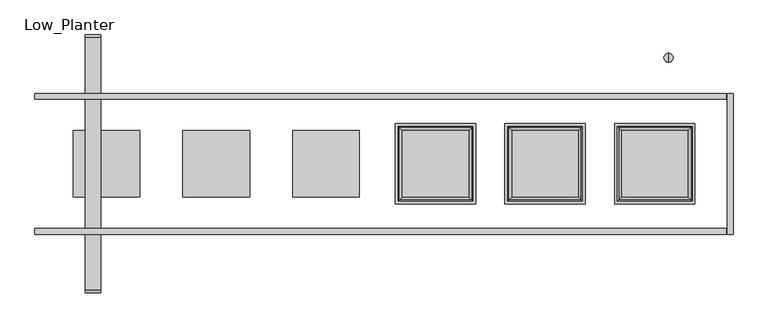
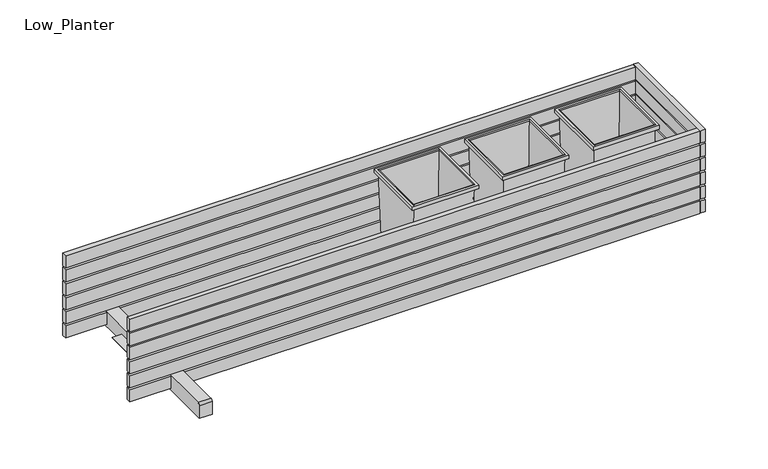
"""IFC4 building model written with IfcOpenShell, lengths in millimetres: furniture geometry, Low_Planter."""

from ifc_helpers import new_model, si_unit, point, frame, frame_2d, origin, place, context, project, spatial, polyline, circle_curve, ellipse_curve, trimmed, segment, composite_curve, outline, extrude, source, transform, mapped, element, save
from ifc_brep_helpers import plane_surface, cylinder_surface, revolved_surface, advanced_brep


def low_planter_5cebf89a(model_context):
    return source(origin(), model_context, "Body", "SolidModel", [
        advanced_brep(
        [(-735.0125, 259.7930221, 102.4987302), (-735.0125, 283.0, 102.4987302), (-735.0125, 271.396511, 102.4987302), (-735.0125, 259.7930221, 82.4987302), (-735.0125, 283.0, 82.4987302), (-735.0125, 265.2930221, 82.4987302), (-735.0125, 277.5, 82.4987302), (-735.0125, 265.2930221, 76.4987302), (-735.0125, 277.5, 76.4987302), (-735.0125, 262.1327681, 76.4987302), (-735.0125, 280.660254, 76.4987302), (-735.0125, 262.1327681, 70.4987302), (-735.0125, 280.660254, 70.4987302), (-735.0125, 271.396511, 70.4987302)],
        [
            (0, 1, circle_curve(frame((-735.0125, 271.396511, 102.4987302), z_axis=(0.0, 0.0, 1.0), x_axis=(0.0, 1.0, 0.0)), 11.603489)),
            (1, 2),
            (2, 0),
            (1, 0, circle_curve(frame((-735.0125, 271.396511, 102.4987302), z_axis=(0.0, 0.0, 1.0), x_axis=(0.0, 1.0, 0.0)), 11.603489)),
            (3, 4, circle_curve(frame((-735.0125, 271.396511, 82.4987302), z_axis=(0.0, 0.0, 1.0), x_axis=(0.0, 1.0, 0.0)), 11.603489)),
            (4, 1),
            (0, 3),
            (4, 3, circle_curve(frame((-735.0125, 271.396511, 82.4987302), z_axis=(0.0, 0.0, 1.0), x_axis=(0.0, 1.0, 0.0)), 11.603489)),
            (5, 6, circle_curve(frame((-735.0125, 271.396511, 82.4987302), z_axis=(0.0, 0.0, 1.0), x_axis=(0.0, 1.0, 0.0)), 6.103489)),
            (6, 4),
            (3, 5),
            (6, 5, circle_curve(frame((-735.0125, 271.396511, 82.4987302), z_axis=(0.0, 0.0, 1.0), x_axis=(0.0, 1.0, 0.0)), 6.103489)),
            (7, 8, circle_curve(frame((-735.0125, 271.396511, 76.4987302), z_axis=(0.0, 0.0, 1.0), x_axis=(0.0, 1.0, 0.0)), 6.103489)),
            (8, 6),
            (5, 7),
            (8, 7, circle_curve(frame((-735.0125, 271.396511, 76.4987302), z_axis=(0.0, 0.0, 1.0), x_axis=(0.0, 1.0, 0.0)), 6.103489)),
            (9, 10, circle_curve(frame((-735.0125, 271.396511, 76.4987302), z_axis=(0.0, 0.0, 1.0), x_axis=(0.0, 1.0, 0.0)), 9.263743)),
            (10, 8),
            (7, 9),
            (10, 9, circle_curve(frame((-735.0125, 271.396511, 76.4987302), z_axis=(0.0, 0.0, 1.0), x_axis=(0.0, 1.0, 0.0)), 9.263743)),
            (11, 12, circle_curve(frame((-735.0125, 271.396511, 70.4987302), z_axis=(0.0, 0.0, 1.0), x_axis=(0.0, 1.0, 0.0)), 9.263743)),
            (12, 10),
            (9, 11),
            (12, 11, circle_curve(frame((-735.0125, 271.396511, 70.4987302), z_axis=(0.0, 0.0, 1.0), x_axis=(0.0, 1.0, 0.0)), 9.263743)),
            (13, 12),
            (11, 13),
        ],
        [
            plane_surface(frame((-735.0125, 271.396511, 102.4987302), z_axis=(0.0, 0.0, 1.0), x_axis=(0.0, 1.0, 0.0))),
            cylinder_surface(frame((-735.0125, 271.396511, 92.8446441), z_axis=(0.0, 0.0, -1.0), x_axis=(0.0, 1.0, 0.0)), 11.603489),
            plane_surface(frame((-735.0125, 271.396511, 82.4987302), z_axis=(0.0, 0.0, -1.0), x_axis=(0.0, 1.0, 0.0))),
            cylinder_surface(frame((-735.0125, 271.396511, 92.8446441), z_axis=(0.0, 0.0, -1.0), x_axis=(0.0, 1.0, 0.0)), 6.103489),
            plane_surface(frame((-735.0125, 271.396511, 76.4987302), z_axis=(0.0, 0.0, 1.0), x_axis=(0.0, 1.0, 0.0))),
            cylinder_surface(frame((-735.0125, 271.396511, 92.8446441), z_axis=(0.0, 0.0, -1.0), x_axis=(0.0, 1.0, 0.0)), 9.263743),
            plane_surface(frame((-735.0125, 271.396511, 70.4987302), z_axis=(0.0, 0.0, -1.0), x_axis=(0.0, 1.0, 0.0))),
        ],
        [
            (0, [[1, 2, 3]]),
            (0, [[4, -3, -2]]),
            (1, [[5, 6, -1, 7]]),
            (1, [[8, -7, -4, -6]]),
            (2, [[9, 10, -5, 11]]),
            (2, [[12, -11, -8, -10]]),
            (3, [[13, 14, -9, 15]]),
            (3, [[16, -15, -12, -14]]),
            (4, [[17, 18, -13, 19]]),
            (4, [[20, -19, -16, -18]]),
            (5, [[21, 22, -17, 23]]),
            (5, [[24, -23, -20, -22]]),
            (6, [[25, -21, 26]]),
            (6, [[-26, -24, -25]]),
        ],
    ),
        extrude(outline(composite_curve([segment(polyline([(-323.65, 124.6649475), (323.5383968, 124.6649475)]), True, "CONTINUOUS"), segment(trimmed(circle_curve(frame_2d((323.5383968, 118.3149475)), 6.35), [point((323.5383968, 124.6649475))], [point((329.8883968, 118.3149475))], False, "CARTESIAN"), True, "CONTINUOUS"), segment(polyline([(329.8883968, 118.3149475), (329.8883968, 76.4987302), (-7.0746988, 76.4987302), (-330.0, 76.4987302), (-330.0, 118.3149475)]), True, "CONTINUOUS"), segment(trimmed(circle_curve(frame_2d((-323.65, 118.3149475)), 6.35), [point((-330.0, 118.3149475))], [point((-323.65, 124.6649475))], False, "CARTESIAN"), True, "CONTINUOUS")], self_intersect=False)), frame((-754.7344665, 0.0, 0.0), z_axis=(1.0, 0.0, 0.0), x_axis=(0.0, 1.0, 0.0)), (0.0, 0.0, 1.0), 39.7344665),
        extrude(outline(polyline([(-614.8527573, 85.1472427), (-614.8527573, -85.1472427), (-785.1472427, -85.1472427), (-785.1472427, 85.1472427), (-614.8527573, 85.1472427)])), frame((0.0, 0.0, 99.2060624), z_axis=(0.0, 0.0, 1.0), x_axis=(1.0, 0.0, 0.0)), (0.0, 0.0, 1.0), 2.1345043),
        extrude(outline(polyline([(-334.8527573, 85.1472427), (-334.8527573, -85.1472427), (-505.1472427, -85.1472427), (-505.1472427, 85.1472427), (-334.8527573, 85.1472427)])), frame((0.0, 0.0, 99.2060624), z_axis=(0.0, 0.0, 1.0), x_axis=(1.0, 0.0, 0.0)), (0.0, 0.0, 1.0), 2.1345043),
        extrude(outline(polyline([(-54.8527573, 85.1472427), (-54.8527573, -85.1472427), (-225.1472427, -85.1472427), (-225.1472427, 85.1472427), (-54.8527573, 85.1472427)])), frame((0.0, 0.0, 99.2060624), z_axis=(0.0, 0.0, 1.0), x_axis=(1.0, 0.0, 0.0)), (0.0, 0.0, 1.0), 2.1345043),
        extrude(outline(polyline([(614.8527573, 85.1472427), (785.1472427, 85.1472427), (785.1472427, -85.1472427), (614.8527573, -85.1472427), (614.8527573, 85.1472427)])), frame((0.0, 0.0, 99.2060624), z_axis=(0.0, 0.0, 1.0), x_axis=(1.0, 0.0, 0.0)), (0.0, 0.0, 1.0), 2.1345043),
        extrude(outline(polyline([(334.8527573, 85.1472427), (505.1472427, 85.1472427), (505.1472427, -85.1472427), (334.8527573, -85.1472427), (334.8527573, 85.1472427)])), frame((0.0, 0.0, 99.2060624), z_axis=(0.0, 0.0, 1.0), x_axis=(1.0, 0.0, 0.0)), (0.0, 0.0, 1.0), 2.1345043),
        extrude(outline(polyline([(54.8527573, 85.1472427), (225.1472427, 85.1472427), (225.1472427, -85.1472427), (54.8527573, -85.1472427), (54.8527573, 85.1472427)])), frame((0.0, 0.0, 99.2060624), z_axis=(0.0, 0.0, 1.0), x_axis=(1.0, 0.0, 0.0)), (0.0, 0.0, 1.0), 2.1345043),
        extrude(outline(polyline([(883.0718339, 180.0), (883.0718339, 165.0), (-883.0403066, 165.0), (-883.0403066, 180.0), (883.0718339, 180.0)])), frame((0.0, 0.0, 314.4987302), z_axis=(0.0, 0.0, 1.0), x_axis=(1.0, 0.0, 0.0)), (0.0, 0.0, 1.0), 40.0),
        extrude(outline(polyline([(883.0718339, 180.0), (883.0718339, 165.0), (-883.0403066, 165.0), (-883.0403066, 180.0), (883.0718339, 180.0)])), frame((0.0, 0.0, 268.4987302), z_axis=(0.0, 0.0, 1.0), x_axis=(1.0, 0.0, 0.0)), (0.0, 0.0, 1.0), 40.0),
        extrude(outline(polyline([(883.0718339, 180.0), (883.0718339, 165.0), (-883.0403066, 165.0), (-883.0403066, 180.0), (883.0718339, 180.0)])), frame((0.0, 0.0, 222.4987302), z_axis=(0.0, 0.0, 1.0), x_axis=(1.0, 0.0, 0.0)), (0.0, 0.0, 1.0), 40.0),
        extrude(outline(polyline([(883.0718339, 180.0), (883.0718339, 165.0), (-883.0403066, 165.0), (-883.0403066, 180.0), (883.0718339, 180.0)])), frame((0.0, 0.0, 176.4987302), z_axis=(0.0, 0.0, 1.0), x_axis=(1.0, 0.0, 0.0)), (0.0, 0.0, 1.0), 40.0),
        extrude(outline(polyline([(883.0718339, 180.0), (883.0718339, 165.0), (-883.0403066, 165.0), (-883.0403066, 180.0), (883.0718339, 180.0)])), frame((0.0, 0.0, 130.4987302), z_axis=(0.0, 0.0, 1.0), x_axis=(1.0, 0.0, 0.0)), (0.0, 0.0, 1.0), 40.0),
        extrude(outline(polyline([(883.0718339, 180.0), (883.0718339, 165.0), (-883.0403066, 165.0), (-883.0403066, 180.0), (883.0718339, 180.0)])), frame((0.0, 0.0, 84.4987302), z_axis=(0.0, 0.0, 1.0), x_axis=(1.0, 0.0, 0.0)), (0.0, 0.0, 1.0), 40.0),
        extrude(outline(polyline([(883.0718339, -165.0), (883.0718339, -180.0), (-883.0403066, -180.0), (-883.0403066, -165.0), (883.0718339, -165.0)])), frame((0.0, 0.0, 314.4987302), z_axis=(0.0, 0.0, 1.0), x_axis=(1.0, 0.0, 0.0)), (0.0, 0.0, 1.0), 40.0),
        extrude(outline(polyline([(883.0718339, -165.0), (883.0718339, -180.0), (-883.0403066, -180.0), (-883.0403066, -165.0), (883.0718339, -165.0)])), frame((0.0, 0.0, 268.4987302), z_axis=(0.0, 0.0, 1.0), x_axis=(1.0, 0.0, 0.0)), (0.0, 0.0, 1.0), 40.0),
        extrude(outline(polyline([(883.0718339, -165.0), (883.0718339, -180.0), (-883.0403066, -180.0), (-883.0403066, -165.0), (883.0718339, -165.0)])), frame((0.0, 0.0, 222.4987302), z_axis=(0.0, 0.0, 1.0), x_axis=(1.0, 0.0, 0.0)), (0.0, 0.0, 1.0), 40.0),
        extrude(outline(polyline([(883.0718339, -165.0), (883.0718339, -180.0), (-883.0403066, -180.0), (-883.0403066, -165.0), (883.0718339, -165.0)])), frame((0.0, 0.0, 176.4987302), z_axis=(0.0, 0.0, 1.0), x_axis=(1.0, 0.0, 0.0)), (0.0, 0.0, 1.0), 40.0),
        extrude(outline(polyline([(883.0718339, -165.0), (883.0718339, -180.0), (-883.0403066, -180.0), (-883.0403066, -165.0), (883.0718339, -165.0)])), frame((0.0, 0.0, 130.4987302), z_axis=(0.0, 0.0, 1.0), x_axis=(1.0, 0.0, 0.0)), (0.0, 0.0, 1.0), 40.0),
        extrude(outline(polyline([(883.0718339, -165.0), (883.0718339, -180.0), (-883.0403066, -180.0), (-883.0403066, -165.0), (883.0718339, -165.0)])), frame((0.0, 0.0, 84.4987302), z_axis=(0.0, 0.0, 1.0), x_axis=(1.0, 0.0, 0.0)), (0.0, 0.0, 1.0), 40.0),
        extrude(outline(polyline([(885.0, -180.0), (885.0, 180.0), (900.0, 180.0), (900.0, -180.0), (885.0, -180.0)])), frame((0.0, 0.0, 314.4987302), z_axis=(0.0, 0.0, 1.0), x_axis=(1.0, 0.0, 0.0)), (0.0, 0.0, 1.0), 40.0),
        extrude(outline(polyline([(885.0, -180.0), (885.0, 180.0), (900.0, 180.0), (900.0, -180.0), (885.0, -180.0)])), frame((0.0, 0.0, 268.4987302), z_axis=(0.0, 0.0, 1.0), x_axis=(1.0, 0.0, 0.0)), (0.0, 0.0, 1.0), 40.0),
        extrude(outline(polyline([(885.0, -180.0), (885.0, 180.0), (900.0, 180.0), (900.0, -180.0), (885.0, -180.0)])), frame((0.0, 0.0, 222.4987302), z_axis=(0.0, 0.0, 1.0), x_axis=(1.0, 0.0, 0.0)), (0.0, 0.0, 1.0), 40.0),
        extrude(outline(polyline([(885.0, -180.0), (885.0, 180.0), (900.0, 180.0), (900.0, -180.0), (885.0, -180.0)])), frame((0.0, 0.0, 176.4987302), z_axis=(0.0, 0.0, 1.0), x_axis=(1.0, 0.0, 0.0)), (0.0, 0.0, 1.0), 40.0),
        extrude(outline(polyline([(885.0, -180.0), (885.0, 180.0), (900.0, 180.0), (900.0, -180.0), (885.0, -180.0)])), frame((0.0, 0.0, 130.4987302), z_axis=(0.0, 0.0, 1.0), x_axis=(1.0, 0.0, 0.0)), (0.0, 0.0, 1.0), 40.0),
        extrude(outline(polyline([(885.0, -180.0), (885.0, 180.0), (900.0, 180.0), (900.0, -180.0), (885.0, -180.0)])), frame((0.0, 0.0, 84.4987302), z_axis=(0.0, 0.0, 1.0), x_axis=(1.0, 0.0, 0.0)), (0.0, 0.0, 1.0), 40.0),
        advanced_brep(
        [(735.0125, 271.396511, 102.4987302), (735.0125, 283.0, 102.4987302), (735.0125, 259.7930221, 102.4987302), (735.0125, 283.0, 82.4987302), (735.0125, 259.7930221, 82.4987302), (735.0125, 277.5, 82.4987302), (735.0125, 265.2930221, 82.4987302), (735.0125, 277.5, 76.4987302), (735.0125, 265.2930221, 76.4987302), (735.0125, 280.660254, 76.4987302), (735.0125, 262.1327681, 76.4987302), (735.0125, 280.660254, 70.4987302), (735.0125, 262.1327681, 70.4987302), (735.0125, 271.396511, 70.4987302)],
        [
            (0, 1),
            (1, 2, circle_curve(frame((735.0125, 271.396511, 102.4987302), z_axis=(0.0, 0.0, 1.0), x_axis=(0.0, 1.0, 0.0)), 11.603489)),
            (2, 0),
            (2, 1, circle_curve(frame((735.0125, 271.396511, 102.4987302), z_axis=(0.0, 0.0, 1.0), x_axis=(0.0, 1.0, 0.0)), 11.603489)),
            (1, 3),
            (3, 4, circle_curve(frame((735.0125, 271.396511, 82.4987302), z_axis=(0.0, 0.0, 1.0), x_axis=(0.0, 1.0, 0.0)), 11.603489)),
            (4, 2),
            (4, 3, circle_curve(frame((735.0125, 271.396511, 82.4987302), z_axis=(0.0, 0.0, 1.0), x_axis=(0.0, 1.0, 0.0)), 11.603489)),
            (3, 5),
            (5, 6, circle_curve(frame((735.0125, 271.396511, 82.4987302), z_axis=(0.0, 0.0, 1.0), x_axis=(0.0, 1.0, 0.0)), 6.103489)),
            (6, 4),
            (6, 5, circle_curve(frame((735.0125, 271.396511, 82.4987302), z_axis=(0.0, 0.0, 1.0), x_axis=(0.0, 1.0, 0.0)), 6.103489)),
            (5, 7),
            (7, 8, circle_curve(frame((735.0125, 271.396511, 76.4987302), z_axis=(0.0, 0.0, 1.0), x_axis=(0.0, 1.0, 0.0)), 6.103489)),
            (8, 6),
            (8, 7, circle_curve(frame((735.0125, 271.396511, 76.4987302), z_axis=(0.0, 0.0, 1.0), x_axis=(0.0, 1.0, 0.0)), 6.103489)),
            (7, 9),
            (9, 10, circle_curve(frame((735.0125, 271.396511, 76.4987302), z_axis=(0.0, 0.0, 1.0), x_axis=(0.0, 1.0, 0.0)), 9.263743)),
            (10, 8),
            (10, 9, circle_curve(frame((735.0125, 271.396511, 76.4987302), z_axis=(0.0, 0.0, 1.0), x_axis=(0.0, 1.0, 0.0)), 9.263743)),
            (9, 11),
            (11, 12, circle_curve(frame((735.0125, 271.396511, 70.4987302), z_axis=(0.0, 0.0, 1.0), x_axis=(0.0, 1.0, 0.0)), 9.263743)),
            (12, 10),
            (12, 11, circle_curve(frame((735.0125, 271.396511, 70.4987302), z_axis=(0.0, 0.0, 1.0), x_axis=(0.0, 1.0, 0.0)), 9.263743)),
            (11, 13),
            (13, 12),
        ],
        [
            plane_surface(frame((735.0125, 271.396511, 102.4987302), z_axis=(0.0, 0.0, 1.0), x_axis=(0.0, 1.0, 0.0))),
            cylinder_surface(frame((735.0125, 271.396511, 92.8446441), z_axis=(0.0, 0.0, 1.0), x_axis=(0.0, 1.0, 0.0)), 11.603489),
            plane_surface(frame((735.0125, 271.396511, 82.4987302), z_axis=(0.0, 0.0, -1.0), x_axis=(0.0, 1.0, 0.0))),
            cylinder_surface(frame((735.0125, 271.396511, 92.8446441), z_axis=(0.0, 0.0, 1.0), x_axis=(0.0, 1.0, 0.0)), 6.103489),
            plane_surface(frame((735.0125, 271.396511, 76.4987302), z_axis=(0.0, 0.0, 1.0), x_axis=(0.0, 1.0, 0.0))),
            cylinder_surface(frame((735.0125, 271.396511, 92.8446441), z_axis=(0.0, 0.0, 1.0), x_axis=(0.0, 1.0, 0.0)), 9.263743),
            plane_surface(frame((735.0125, 271.396511, 70.4987302), z_axis=(0.0, 0.0, -1.0), x_axis=(0.0, 1.0, 0.0))),
        ],
        [
            (0, [[1, 2, 3]]),
            (0, [[-3, 4, -1]]),
            (1, [[-2, 5, 6, 7]]),
            (1, [[-4, -7, 8, -5]]),
            (2, [[-6, 9, 10, 11]]),
            (2, [[-8, -11, 12, -9]]),
            (3, [[-10, 13, 14, 15]]),
            (3, [[-12, -15, 16, -13]]),
            (4, [[-14, 17, 18, 19]]),
            (4, [[-16, -19, 20, -17]]),
            (5, [[-18, 21, 22, 23]]),
            (5, [[-20, -23, 24, -21]]),
            (6, [[-22, 25, 26]]),
            (6, [[-24, -26, -25]]),
        ],
    ),
        advanced_brep(
        [(-735.0125, -271.396511, 102.4987302), (-735.0125, -283.0, 102.4987302), (-735.0125, -259.7930221, 102.4987302), (-735.0125, -283.0, 82.4987302), (-735.0125, -259.7930221, 82.4987302), (-735.0125, -277.5, 82.4987302), (-735.0125, -265.2930221, 82.4987302), (-735.0125, -277.5, 76.4987302), (-735.0125, -265.2930221, 76.4987302), (-735.0125, -280.660254, 76.4987302), (-735.0125, -262.1327681, 76.4987302), (-735.0125, -280.660254, 70.4987302), (-735.0125, -262.1327681, 70.4987302), (-735.0125, -271.396511, 70.4987302)],
        [
            (0, 1),
            (1, 2, circle_curve(frame((-735.0125, -271.396511, 102.4987302), z_axis=(0.0, 0.0, 1.0), x_axis=(0.0, -1.0, 0.0)), 11.603489)),
            (2, 0),
            (2, 1, circle_curve(frame((-735.0125, -271.396511, 102.4987302), z_axis=(0.0, 0.0, 1.0), x_axis=(0.0, -1.0, 0.0)), 11.603489)),
            (1, 3),
            (3, 4, circle_curve(frame((-735.0125, -271.396511, 82.4987302), z_axis=(0.0, 0.0, 1.0), x_axis=(0.0, -1.0, 0.0)), 11.603489)),
            (4, 2),
            (4, 3, circle_curve(frame((-735.0125, -271.396511, 82.4987302), z_axis=(0.0, 0.0, 1.0), x_axis=(0.0, -1.0, 0.0)), 11.603489)),
            (3, 5),
            (5, 6, circle_curve(frame((-735.0125, -271.396511, 82.4987302), z_axis=(0.0, 0.0, 1.0), x_axis=(0.0, -1.0, 0.0)), 6.103489)),
            (6, 4),
            (6, 5, circle_curve(frame((-735.0125, -271.396511, 82.4987302), z_axis=(0.0, 0.0, 1.0), x_axis=(0.0, -1.0, 0.0)), 6.103489)),
            (5, 7),
            (7, 8, circle_curve(frame((-735.0125, -271.396511, 76.4987302), z_axis=(0.0, 0.0, 1.0), x_axis=(0.0, -1.0, 0.0)), 6.103489)),
            (8, 6),
            (8, 7, circle_curve(frame((-735.0125, -271.396511, 76.4987302), z_axis=(0.0, 0.0, 1.0), x_axis=(0.0, -1.0, 0.0)), 6.103489)),
            (7, 9),
            (9, 10, circle_curve(frame((-735.0125, -271.396511, 76.4987302), z_axis=(0.0, 0.0, 1.0), x_axis=(0.0, -1.0, 0.0)), 9.263743)),
            (10, 8),
            (10, 9, circle_curve(frame((-735.0125, -271.396511, 76.4987302), z_axis=(0.0, 0.0, 1.0), x_axis=(0.0, -1.0, 0.0)), 9.263743)),
            (9, 11),
            (11, 12, circle_curve(frame((-735.0125, -271.396511, 70.4987302), z_axis=(0.0, 0.0, 1.0), x_axis=(0.0, -1.0, 0.0)), 9.263743)),
            (12, 10),
            (12, 11, circle_curve(frame((-735.0125, -271.396511, 70.4987302), z_axis=(0.0, 0.0, 1.0), x_axis=(0.0, -1.0, 0.0)), 9.263743)),
            (11, 13),
            (13, 12),
        ],
        [
            plane_surface(frame((-735.0125, -271.396511, 102.4987302), z_axis=(0.0, 0.0, 1.0), x_axis=(0.0, -1.0, 0.0))),
            cylinder_surface(frame((-735.0125, -271.396511, 92.8446441), z_axis=(0.0, 0.0, 1.0), x_axis=(0.0, -1.0, 0.0)), 11.603489),
            plane_surface(frame((-735.0125, -271.396511, 82.4987302), z_axis=(0.0, 0.0, -1.0), x_axis=(0.0, -1.0, 0.0))),
            cylinder_surface(frame((-735.0125, -271.396511, 92.8446441), z_axis=(0.0, 0.0, 1.0), x_axis=(0.0, -1.0, 0.0)), 6.103489),
            plane_surface(frame((-735.0125, -271.396511, 76.4987302), z_axis=(0.0, 0.0, 1.0), x_axis=(0.0, -1.0, 0.0))),
            cylinder_surface(frame((-735.0125, -271.396511, 92.8446441), z_axis=(0.0, 0.0, 1.0), x_axis=(0.0, -1.0, 0.0)), 9.263743),
            plane_surface(frame((-735.0125, -271.396511, 70.4987302), z_axis=(0.0, 0.0, -1.0), x_axis=(0.0, -1.0, 0.0))),
        ],
        [
            (0, [[1, 2, 3]]),
            (0, [[-3, 4, -1]]),
            (1, [[-2, 5, 6, 7]]),
            (1, [[-4, -7, 8, -5]]),
            (2, [[-6, 9, 10, 11]]),
            (2, [[-8, -11, 12, -9]]),
            (3, [[-10, 13, 14, 15]]),
            (3, [[-12, -15, 16, -13]]),
            (4, [[-14, 17, 18, 19]]),
            (4, [[-16, -19, 20, -17]]),
            (5, [[-18, 21, 22, 23]]),
            (5, [[-20, -23, 24, -21]]),
            (6, [[-22, 25, 26]]),
            (6, [[-24, -26, -25]]),
        ],
    ),
        advanced_brep(
        [(800.1829086, 100.1829086, 352.4436917), (800.5146559, 100.5146559, 342.9436917), (800.5146559, -100.5146559, 342.9436917), (800.1829086, -100.1829086, 352.4436917), (794.4590865, 94.4590865, 350.2723738), (796.6873147, 96.6873147, 352.4436917), (796.6873147, -96.6873147, 352.4436917), (794.4590865, -94.4590865, 350.2723738), (787.968812, 87.968812, 99.4436917), (787.968812, -87.968812, 99.4436917), (792.5382902, 92.5382902, 352.2816601), (785.1472427, 85.1472427, 99.4436917), (785.1472427, -85.1472427, 99.4436917), (792.5382902, -92.5382902, 352.2816601), (795.3372548, 95.3372548, 355.0), (795.3372548, -95.3372548, 355.0), (802.515875, 102.515875, 342.9436917), (802.515875, 102.515875, 355.0), (802.515875, -102.515875, 355.0), (802.515875, -102.515875, 342.9436917), (599.4853441, -100.5146559, 342.9436917), (599.8170914, -100.1829086, 352.4436917), (603.3126853, -96.6873147, 352.4436917), (605.5409135, -94.4590865, 350.2723738), (612.031188, -87.968812, 99.4436917), (614.8527573, -85.1472427, 99.4436917), (607.4617098, -92.5382902, 352.2816601), (604.6627452, -95.3372548, 355.0), (597.484125, -102.515875, 355.0), (597.484125, -102.515875, 342.9436917), (599.4853441, 100.5146559, 342.9436917), (599.8170914, 100.1829086, 352.4436917), (603.3126853, 96.6873147, 352.4436917), (605.5409135, 94.4590865, 350.2723738), (612.031188, 87.968812, 99.4436917), (614.8527573, 85.1472427, 99.4436917), (607.4617098, 92.5382902, 352.2816601), (604.6627452, 95.3372548, 355.0), (597.484125, 102.515875, 355.0), (597.484125, 102.515875, 342.9436917)],
        [
            (0, 1),
            (1, 2),
            (2, 3),
            (3, 0),
            (4, 5, ellipse_curve(frame((796.6873147, 96.6873147, 350.2147177), z_axis=(-0.7071067811865475, 0.7071067811865475, 0.0), x_axis=(-0.7071067811865474, -0.7071067811865476, 0.0)), 3.1522453, 2.228974)),
            (5, 6),
            (6, 7, ellipse_curve(frame((796.6873147, -96.6873147, 350.2147177), z_axis=(-0.7071067811865475, -0.7071067811865475, 0.0), x_axis=(0.7071067811865474, -0.7071067811865476, 0.0)), 3.1522453, 2.228974)),
            (7, 4),
            (8, 4),
            (7, 9),
            (9, 8),
            (10, 11),
            (11, 12),
            (12, 13),
            (13, 10),
            (14, 10, ellipse_curve(frame((795.3372548, 95.3372548, 352.1998398), z_axis=(0.7071067811865475, -0.7071067811865475, 0.0), x_axis=(0.7071067811865474, 0.7071067811865476, 0.0)), 3.9600246, 2.8001602)),
            (13, 15, ellipse_curve(frame((795.3372548, -95.3372548, 352.1998398), z_axis=(0.7071067811865475, 0.7071067811865475, 0.0), x_axis=(-0.7071067811865474, 0.7071067811865476, 0.0)), 3.9600246, 2.8001602)),
            (15, 14),
            (16, 17),
            (17, 18),
            (18, 19),
            (19, 16),
            (2, 20),
            (20, 21),
            (21, 3),
            (6, 22),
            (22, 23, ellipse_curve(frame((603.3126853, -96.6873147, 350.2147177), z_axis=(-0.7071067811865475, 0.7071067811865475, 0.0), x_axis=(-0.7071067811865476, -0.7071067811865474, 0.0)), 3.1522453, 2.228974)),
            (23, 7),
            (23, 24),
            (24, 9),
            (12, 25),
            (25, 26),
            (26, 13),
            (26, 27, ellipse_curve(frame((604.6627452, -95.3372548, 352.1998398), z_axis=(0.7071067811865475, -0.7071067811865475, 0.0), x_axis=(0.7071067811865476, 0.7071067811865474, 0.0)), 3.9600246, 2.8001602)),
            (27, 15),
            (18, 28),
            (28, 29),
            (29, 19),
            (20, 30),
            (30, 31),
            (31, 21),
            (22, 32),
            (32, 33, ellipse_curve(frame((603.3126853, 96.6873147, 350.2147177), z_axis=(0.7071067811865475, 0.7071067811865475, 0.0), x_axis=(-0.7071067811865474, 0.7071067811865476, 0.0)), 3.1522453, 2.228974)),
            (33, 23),
            (33, 34),
            (34, 24),
            (25, 35),
            (35, 36),
            (36, 26),
            (36, 37, ellipse_curve(frame((604.6627452, 95.3372548, 352.1998398), z_axis=(-0.7071067811865475, -0.7071067811865475, 0.0), x_axis=(0.7071067811865474, -0.7071067811865476, 0.0)), 3.9600246, 2.8001602)),
            (37, 27),
            (28, 38),
            (38, 39),
            (39, 29),
            (39, 16),
            (1, 30),
            (0, 31),
            (5, 32),
            (4, 33),
            (8, 34),
            (11, 35),
            (10, 36),
            (14, 37),
            (17, 38),
        ],
        [
            plane_surface(frame((800.5146559, 100.5146559, 342.9436917), z_axis=(-0.9993908270190965, 0.0, -0.0348994967024785), x_axis=(0.0, -1.0, 0.0))),
            revolved_surface(polyline([(798.9162887, -98.91628872759341, 350.2147177), (798.9162887, 98.91628872759343, 350.2147177)]), (796.6873147, 85.094, 350.2147177), (0.0, -1.0, 0.0)),
            plane_surface(frame((794.4590865, 94.4590865, 350.2723738), z_axis=(0.9996654016980265, 0.0, -0.02586667059989023), x_axis=(0.0, -1.0, 0.0))),
            plane_surface(frame((785.1472427, 85.1472427, 99.4436917), z_axis=(-0.9995730085530367, 0.0, 0.02921986605429452), x_axis=(0.0, -1.0, 0.0))),
            cylinder_surface(frame((795.3372548, 85.094, 352.1998398), z_axis=(0.0, 1.0, 0.0), x_axis=(1.0, 0.0, 0.0)), 2.8001602),
            plane_surface(frame((802.515875, 102.515875, 355.0), z_axis=(1.0, 0.0, 0.0), x_axis=(0.0, -1.0, 0.0))),
            plane_surface(frame((800.5146559, -100.5146559, 342.9436917), z_axis=(0.0, 0.9993908270190961, -0.03489949670249201), x_axis=(-1.0, 0.0, 0.0))),
            revolved_surface(polyline([(601.0837112724066, -98.9162887, 350.2147177), (798.9162887275934, -98.9162887, 350.2147177)]), (785.094, -96.6873147, 350.2147177), (-1.0, 0.0, 0.0)),
            plane_surface(frame((794.4590865, -94.4590865, 350.2723738), z_axis=(0.0, -0.999665401698027, -0.025866670599876716), x_axis=(-1.0, 0.0, 0.0))),
            plane_surface(frame((785.1472427, -85.1472427, 99.4436917), z_axis=(0.0, 0.9995730085530371, 0.029219866054281007), x_axis=(-1.0, 0.0, 0.0))),
            cylinder_surface(frame((785.094, -95.3372548, 352.1998398), z_axis=(1.0, 0.0, 0.0), x_axis=(0.0, -1.0, 0.0)), 2.8001602),
            plane_surface(frame((802.515875, -102.515875, 355.0), z_axis=(0.0, -1.0, 0.0), x_axis=(-1.0, 0.0, 0.0))),
            plane_surface(frame((599.4853441, -100.5146559, 342.9436917), z_axis=(0.9993908270190957, 0.0, -0.03489949670250552), x_axis=(0.0, 1.0, 0.0))),
            revolved_surface(polyline([(601.0837113, 98.91628872759341, 350.2147177), (601.0837113, -98.91628872759343, 350.2147177)]), (603.3126853, -85.094, 350.2147177), (0.0, 1.0, 0.0)),
            plane_surface(frame((605.5409135, -94.4590865, 350.2723738), z_axis=(-0.9996654016980273, 0.0, -0.0258666705998632), x_axis=(0.0, 1.0, 0.0))),
            plane_surface(frame((614.8527573, -85.1472427, 99.4436917), z_axis=(0.9995730085530375, 0.0, 0.029219866054267494), x_axis=(0.0, 1.0, 0.0))),
            cylinder_surface(frame((604.6627452, -85.094, 352.1998398), z_axis=(0.0, -1.0, 0.0), x_axis=(-1.0, 0.0, 0.0)), 2.8001602),
            plane_surface(frame((597.484125, -102.515875, 355.0), z_axis=(-1.0, 0.0, 0.0), x_axis=(0.0, 1.0, 0.0))),
            plane_surface(frame((597.484125, 102.515875, 342.9436917), z_axis=(0.0, 0.0, -1.0), x_axis=(1.0, 0.0, 0.0))),
            plane_surface(frame((599.4853441, 100.5146559, 342.9436917), z_axis=(0.0, -0.9993908270190961, -0.03489949670249201), x_axis=(1.0, 0.0, 0.0))),
            plane_surface(frame((599.8170914, 100.1829086, 352.4436917), z_axis=(0.0, 0.0, -1.0), x_axis=(1.0, 0.0, 0.0))),
            revolved_surface(polyline([(798.9162887275934, 98.9162887, 350.2147177), (601.0837112724066, 98.9162887, 350.2147177)]), (614.906, 96.6873147, 350.2147177), (1.0, 0.0, 0.0)),
            plane_surface(frame((605.5409135, 94.4590865, 350.2723738), z_axis=(0.0, 0.999665401698027, -0.025866670599876716), x_axis=(1.0, 0.0, 0.0))),
            plane_surface(frame((612.031188, 87.968812, 99.4436917), z_axis=(0.0, 0.0, -1.0), x_axis=(1.0, 0.0, 0.0))),
            plane_surface(frame((614.8527573, 85.1472427, 99.4436917), z_axis=(0.0, -0.9995730085530371, 0.029219866054281007), x_axis=(1.0, 0.0, 0.0))),
            cylinder_surface(frame((614.906, 95.3372548, 352.1998398), z_axis=(-1.0, 0.0, 0.0), x_axis=(0.0, 1.0, 0.0)), 2.8001602),
            plane_surface(frame((604.6627452, 95.3372548, 355.0), z_axis=(0.0, 0.0, 1.0), x_axis=(1.0, 0.0, 0.0))),
            plane_surface(frame((597.484125, 102.515875, 355.0), z_axis=(0.0, 1.0, 0.0), x_axis=(1.0, 0.0, 0.0))),
        ],
        [
            (0, [[1, 2, 3, 4]]),
            (1, [[5, 6, 7, 8]]),
            (2, [[9, -8, 10, 11]]),
            (3, [[12, 13, 14, 15]]),
            (4, [[16, -15, 17, 18]]),
            (5, [[19, 20, 21, 22]]),
            (6, [[-3, 23, 24, 25]]),
            (7, [[-7, 26, 27, 28]]),
            (8, [[-10, -28, 29, 30]]),
            (9, [[-14, 31, 32, 33]]),
            (10, [[-17, -33, 34, 35]]),
            (11, [[-21, 36, 37, 38]]),
            (12, [[-24, 39, 40, 41]]),
            (13, [[-27, 42, 43, 44]]),
            (14, [[-29, -44, 45, 46]]),
            (15, [[-32, 47, 48, 49]]),
            (16, [[-34, -49, 50, 51]]),
            (17, [[-37, 52, 53, 54]]),
            (18, [[-38, -54, 55, -22], [56, -39, -23, -2]]),
            (19, [[-40, -56, -1, 57]]),
            (20, [[-25, -41, -57, -4], [58, -42, -26, -6]]),
            (21, [[-43, -58, -5, 59]]),
            (22, [[-45, -59, -9, 60]]),
            (23, [[-30, -46, -60, -11], [61, -47, -31, -13]]),
            (24, [[-48, -61, -12, 62]]),
            (25, [[-50, -62, -16, 63]]),
            (26, [[64, -52, -36, -20], [-35, -51, -63, -18]]),
            (27, [[-53, -64, -19, -55]]),
        ],
    ),
        advanced_brep(
        [(520.1829086, 100.1829086, 352.4436917), (520.5146559, 100.5146559, 342.9436917), (520.5146559, -100.5146559, 342.9436917), (520.1829086, -100.1829086, 352.4436917), (514.4590865, 94.4590865, 350.2723738), (516.6873147, 96.6873147, 352.4436917), (516.6873147, -96.6873147, 352.4436917), (514.4590865, -94.4590865, 350.2723738), (507.968812, 87.968812, 99.4436917), (507.968812, -87.968812, 99.4436917), (512.5382902, 92.5382902, 352.2816601), (505.1472427, 85.1472427, 99.4436917), (505.1472427, -85.1472427, 99.4436917), (512.5382902, -92.5382902, 352.2816601), (515.3372548, 95.3372548, 355.0), (515.3372548, -95.3372548, 355.0), (522.515875, 102.515875, 342.9436917), (522.515875, 102.515875, 355.0), (522.515875, -102.515875, 355.0), (522.515875, -102.515875, 342.9436917), (319.4853441, -100.5146559, 342.9436917), (319.8170914, -100.1829086, 352.4436917), (323.3126853, -96.6873147, 352.4436917), (325.5409135, -94.4590865, 350.2723738), (332.031188, -87.968812, 99.4436917), (334.8527573, -85.1472427, 99.4436917), (327.4617098, -92.5382902, 352.2816601), (324.6627452, -95.3372548, 355.0), (317.484125, -102.515875, 355.0), (317.484125, -102.515875, 342.9436917), (319.4853441, 100.5146559, 342.9436917), (319.8170914, 100.1829086, 352.4436917), (323.3126853, 96.6873147, 352.4436917), (325.5409135, 94.4590865, 350.2723738), (332.031188, 87.968812, 99.4436917), (334.8527573, 85.1472427, 99.4436917), (327.4617098, 92.5382902, 352.2816601), (324.6627452, 95.3372548, 355.0), (317.484125, 102.515875, 355.0), (317.484125, 102.515875, 342.9436917)],
        [
            (0, 1),
            (1, 2),
            (2, 3),
            (3, 0),
            (4, 5, ellipse_curve(frame((516.6873147, 96.6873147, 350.2147177), z_axis=(-0.7071067811865475, 0.7071067811865475, 0.0), x_axis=(-0.7071067811865474, -0.7071067811865476, 0.0)), 3.1522453, 2.228974)),
            (5, 6),
            (6, 7, ellipse_curve(frame((516.6873147, -96.6873147, 350.2147177), z_axis=(-0.7071067811865475, -0.7071067811865475, 0.0), x_axis=(0.7071067811865474, -0.7071067811865476, 0.0)), 3.1522453, 2.228974)),
            (7, 4),
            (8, 4),
            (7, 9),
            (9, 8),
            (10, 11),
            (11, 12),
            (12, 13),
            (13, 10),
            (14, 10, ellipse_curve(frame((515.3372548, 95.3372548, 352.1998398), z_axis=(0.7071067811865475, -0.7071067811865475, 0.0), x_axis=(0.7071067811865474, 0.7071067811865476, 0.0)), 3.9600246, 2.8001602)),
            (13, 15, ellipse_curve(frame((515.3372548, -95.3372548, 352.1998398), z_axis=(0.7071067811865475, 0.7071067811865475, 0.0), x_axis=(-0.7071067811865474, 0.7071067811865476, 0.0)), 3.9600246, 2.8001602)),
            (15, 14),
            (16, 17),
            (17, 18),
            (18, 19),
            (19, 16),
            (2, 20),
            (20, 21),
            (21, 3),
            (6, 22),
            (22, 23, ellipse_curve(frame((323.3126853, -96.6873147, 350.2147177), z_axis=(-0.7071067811865475, 0.7071067811865475, 0.0), x_axis=(-0.7071067811865476, -0.7071067811865474, 0.0)), 3.1522453, 2.228974)),
            (23, 7),
            (23, 24),
            (24, 9),
            (12, 25),
            (25, 26),
            (26, 13),
            (26, 27, ellipse_curve(frame((324.6627452, -95.3372548, 352.1998398), z_axis=(0.7071067811865475, -0.7071067811865475, 0.0), x_axis=(0.7071067811865476, 0.7071067811865474, 0.0)), 3.9600246, 2.8001602)),
            (27, 15),
            (18, 28),
            (28, 29),
            (29, 19),
            (20, 30),
            (30, 31),
            (31, 21),
            (22, 32),
            (32, 33, ellipse_curve(frame((323.3126853, 96.6873147, 350.2147177), z_axis=(0.7071067811865475, 0.7071067811865475, 0.0), x_axis=(-0.7071067811865474, 0.7071067811865476, 0.0)), 3.1522453, 2.228974)),
            (33, 23),
            (33, 34),
            (34, 24),
            (25, 35),
            (35, 36),
            (36, 26),
            (36, 37, ellipse_curve(frame((324.6627452, 95.3372548, 352.1998398), z_axis=(-0.7071067811865475, -0.7071067811865475, 0.0), x_axis=(0.7071067811865474, -0.7071067811865476, 0.0)), 3.9600246, 2.8001602)),
            (37, 27),
            (28, 38),
            (38, 39),
            (39, 29),
            (39, 16),
            (1, 30),
            (0, 31),
            (5, 32),
            (4, 33),
            (8, 34),
            (11, 35),
            (10, 36),
            (14, 37),
            (17, 38),
        ],
        [
            plane_surface(frame((520.5146559, 100.5146559, 342.9436917), z_axis=(-0.9993908270190965, 0.0, -0.03489949670247825), x_axis=(0.0, -1.0, 0.0))),
            revolved_surface(polyline([(518.9162887, -98.91628872759341, 350.2147177), (518.9162887, 98.91628872759343, 350.2147177)]), (516.6873147, 85.094, 350.2147177), (0.0, -1.0, 0.0)),
            plane_surface(frame((514.4590865, 94.4590865, 350.2723738), z_axis=(0.9996654016980265, 0.0, -0.025866670599890236), x_axis=(0.0, -1.0, 0.0))),
            plane_surface(frame((505.1472427, 85.1472427, 99.4436917), z_axis=(-0.9995730085530367, 0.0, 0.02921986605429452), x_axis=(0.0, -1.0, 0.0))),
            cylinder_surface(frame((515.3372548, 85.094, 352.1998398), z_axis=(0.0, 1.0, 0.0), x_axis=(1.0, 0.0, 0.0)), 2.8001602),
            plane_surface(frame((522.515875, 102.515875, 355.0), z_axis=(1.0, 0.0, 0.0), x_axis=(0.0, -1.0, 0.0))),
            plane_surface(frame((520.5146559, -100.5146559, 342.9436917), z_axis=(0.0, 0.9993908270190961, -0.03489949670249176), x_axis=(-1.0, 0.0, 0.0))),
            revolved_surface(polyline([(321.0837112724066, -98.9162887, 350.2147177), (518.9162887275934, -98.9162887, 350.2147177)]), (505.094, -96.6873147, 350.2147177), (-1.0, 0.0, 0.0)),
            plane_surface(frame((514.4590865, -94.4590865, 350.2723738), z_axis=(0.0, -0.999665401698027, -0.025866670599876723), x_axis=(-1.0, 0.0, 0.0))),
            plane_surface(frame((505.1472427, -85.1472427, 99.4436917), z_axis=(0.0, 0.9995730085530371, 0.029219866054281007), x_axis=(-1.0, 0.0, 0.0))),
            cylinder_surface(frame((505.094, -95.3372548, 352.1998398), z_axis=(1.0, 0.0, 0.0), x_axis=(0.0, -1.0, 0.0)), 2.8001602),
            plane_surface(frame((522.515875, -102.515875, 355.0), z_axis=(0.0, -1.0, 0.0), x_axis=(-1.0, 0.0, 0.0))),
            plane_surface(frame((319.4853441, -100.5146559, 342.9436917), z_axis=(0.9993908270190957, 0.0, -0.03489949670250527), x_axis=(0.0, 1.0, 0.0))),
            revolved_surface(polyline([(321.0837113, 98.91628872759341, 350.2147177), (321.0837113, -98.91628872759343, 350.2147177)]), (323.3126853, -85.094, 350.2147177), (0.0, 1.0, 0.0)),
            plane_surface(frame((325.5409135, -94.4590865, 350.2723738), z_axis=(-0.9996654016980273, 0.0, -0.025866670599863206), x_axis=(0.0, 1.0, 0.0))),
            plane_surface(frame((334.8527573, -85.1472427, 99.4436917), z_axis=(0.9995730085530375, 0.0, 0.029219866054267494), x_axis=(0.0, 1.0, 0.0))),
            cylinder_surface(frame((324.6627452, -85.094, 352.1998398), z_axis=(0.0, -1.0, 0.0), x_axis=(-1.0, 0.0, 0.0)), 2.8001602),
            plane_surface(frame((317.484125, -102.515875, 355.0), z_axis=(-1.0, 0.0, 0.0), x_axis=(0.0, 1.0, 0.0))),
            plane_surface(frame((317.484125, 102.515875, 342.9436917), z_axis=(0.0, 0.0, -1.0), x_axis=(1.0, 0.0, 0.0))),
            plane_surface(frame((319.4853441, 100.5146559, 342.9436917), z_axis=(0.0, -0.9993908270190961, -0.03489949670249176), x_axis=(1.0, 0.0, 0.0))),
            plane_surface(frame((319.8170914, 100.1829086, 352.4436917), z_axis=(0.0, 0.0, -1.0), x_axis=(1.0, 0.0, 0.0))),
            revolved_surface(polyline([(518.9162887275934, 98.9162887, 350.2147177), (321.08371127240656, 98.9162887, 350.2147177)]), (334.906, 96.6873147, 350.2147177), (1.0, 0.0, 0.0)),
            plane_surface(frame((325.5409135, 94.4590865, 350.2723738), z_axis=(0.0, 0.999665401698027, -0.025866670599876723), x_axis=(1.0, 0.0, 0.0))),
            plane_surface(frame((332.031188, 87.968812, 99.4436917), z_axis=(0.0, 0.0, -1.0), x_axis=(1.0, 0.0, 0.0))),
            plane_surface(frame((334.8527573, 85.1472427, 99.4436917), z_axis=(0.0, -0.9995730085530371, 0.029219866054281007), x_axis=(1.0, 0.0, 0.0))),
            cylinder_surface(frame((334.906, 95.3372548, 352.1998398), z_axis=(-1.0, 0.0, 0.0), x_axis=(0.0, 1.0, 0.0)), 2.8001602),
            plane_surface(frame((324.6627452, 95.3372548, 355.0), z_axis=(0.0, 0.0, 1.0), x_axis=(1.0, 0.0, 0.0))),
            plane_surface(frame((317.484125, 102.515875, 355.0), z_axis=(0.0, 1.0, 0.0), x_axis=(1.0, 0.0, 0.0))),
        ],
        [
            (0, [[1, 2, 3, 4]]),
            (1, [[5, 6, 7, 8]]),
            (2, [[9, -8, 10, 11]]),
            (3, [[12, 13, 14, 15]]),
            (4, [[16, -15, 17, 18]]),
            (5, [[19, 20, 21, 22]]),
            (6, [[-3, 23, 24, 25]]),
            (7, [[-7, 26, 27, 28]]),
            (8, [[-10, -28, 29, 30]]),
            (9, [[-14, 31, 32, 33]]),
            (10, [[-17, -33, 34, 35]]),
            (11, [[-21, 36, 37, 38]]),
            (12, [[-24, 39, 40, 41]]),
            (13, [[-27, 42, 43, 44]]),
            (14, [[-29, -44, 45, 46]]),
            (15, [[-32, 47, 48, 49]]),
            (16, [[-34, -49, 50, 51]]),
            (17, [[-37, 52, 53, 54]]),
            (18, [[-38, -54, 55, -22], [56, -39, -23, -2]]),
            (19, [[-40, -56, -1, 57]]),
            (20, [[-25, -41, -57, -4], [58, -42, -26, -6]]),
            (21, [[-43, -58, -5, 59]]),
            (22, [[-45, -59, -9, 60]]),
            (23, [[-30, -46, -60, -11], [61, -47, -31, -13]]),
            (24, [[-48, -61, -12, 62]]),
            (25, [[-50, -62, -16, 63]]),
            (26, [[64, -52, -36, -20], [-35, -51, -63, -18]]),
            (27, [[-53, -64, -19, -55]]),
        ],
    ),
        advanced_brep(
        [(240.1829086, 100.1829086, 352.4436917), (240.5146559, 100.5146559, 342.9436917), (240.5146559, -100.5146559, 342.9436917), (240.1829086, -100.1829086, 352.4436917), (234.4590865, 94.4590865, 350.2723738), (236.6873147, 96.6873147, 352.4436917), (236.6873147, -96.6873147, 352.4436917), (234.4590865, -94.4590865, 350.2723738), (227.968812, 87.968812, 99.4436917), (227.968812, -87.968812, 99.4436917), (232.5382902, 92.5382902, 352.2816601), (225.1472427, 85.1472427, 99.4436917), (225.1472427, -85.1472427, 99.4436917), (232.5382902, -92.5382902, 352.2816601), (235.3372548, 95.3372548, 355.0), (235.3372548, -95.3372548, 355.0), (242.515875, 102.515875, 342.9436917), (242.515875, 102.515875, 355.0), (242.515875, -102.515875, 355.0), (242.515875, -102.515875, 342.9436917), (39.4853441, -100.5146559, 342.9436917), (39.8170914, -100.1829086, 352.4436917), (43.3126853, -96.6873147, 352.4436917), (45.5409135, -94.4590865, 350.2723738), (52.031188, -87.968812, 99.4436917), (54.8527573, -85.1472427, 99.4436917), (47.4617098, -92.5382902, 352.2816601), (44.6627452, -95.3372548, 355.0), (37.484125, -102.515875, 355.0), (37.484125, -102.515875, 342.9436917), (39.4853441, 100.5146559, 342.9436917), (39.8170914, 100.1829086, 352.4436917), (43.3126853, 96.6873147, 352.4436917), (45.5409135, 94.4590865, 350.2723738), (52.031188, 87.968812, 99.4436917), (54.8527573, 85.1472427, 99.4436917), (47.4617098, 92.5382902, 352.2816601), (44.6627452, 95.3372548, 355.0), (37.484125, 102.515875, 355.0), (37.484125, 102.515875, 342.9436917)],
        [
            (0, 1),
            (1, 2),
            (2, 3),
            (3, 0),
            (4, 5, ellipse_curve(frame((236.6873147, 96.6873147, 350.2147177), z_axis=(-0.7071067811865475, 0.7071067811865475, 0.0), x_axis=(-0.7071067811865474, -0.7071067811865476, 0.0)), 3.1522453, 2.228974)),
            (5, 6),
            (6, 7, ellipse_curve(frame((236.6873147, -96.6873147, 350.2147177), z_axis=(-0.7071067811865475, -0.7071067811865475, 0.0), x_axis=(0.7071067811865474, -0.7071067811865476, 0.0)), 3.1522453, 2.228974)),
            (7, 4),
            (8, 4),
            (7, 9),
            (9, 8),
            (10, 11),
            (11, 12),
            (12, 13),
            (13, 10),
            (14, 10, ellipse_curve(frame((235.3372548, 95.3372548, 352.1998398), z_axis=(0.7071067811865475, -0.7071067811865475, 0.0), x_axis=(0.7071067811865474, 0.7071067811865476, 0.0)), 3.9600246, 2.8001602)),
            (13, 15, ellipse_curve(frame((235.3372548, -95.3372548, 352.1998398), z_axis=(0.7071067811865475, 0.7071067811865475, 0.0), x_axis=(-0.7071067811865474, 0.7071067811865476, 0.0)), 3.9600246, 2.8001602)),
            (15, 14),
            (16, 17),
            (17, 18),
            (18, 19),
            (19, 16),
            (2, 20),
            (20, 21),
            (21, 3),
            (6, 22),
            (22, 23, ellipse_curve(frame((43.3126853, -96.6873147, 350.2147177), z_axis=(-0.7071067811865475, 0.7071067811865475, 0.0), x_axis=(-0.7071067811865476, -0.7071067811865474, 0.0)), 3.1522453, 2.228974)),
            (23, 7),
            (23, 24),
            (24, 9),
            (12, 25),
            (25, 26),
            (26, 13),
            (26, 27, ellipse_curve(frame((44.6627452, -95.3372548, 352.1998398), z_axis=(0.7071067811865475, -0.7071067811865475, 0.0), x_axis=(0.7071067811865476, 0.7071067811865474, 0.0)), 3.9600246, 2.8001602)),
            (27, 15),
            (18, 28),
            (28, 29),
            (29, 19),
            (20, 30),
            (30, 31),
            (31, 21),
            (22, 32),
            (32, 33, ellipse_curve(frame((43.3126853, 96.6873147, 350.2147177), z_axis=(0.7071067811865475, 0.7071067811865475, 0.0), x_axis=(-0.7071067811865474, 0.7071067811865476, 0.0)), 3.1522453, 2.228974)),
            (33, 23),
            (33, 34),
            (34, 24),
            (25, 35),
            (35, 36),
            (36, 26),
            (36, 37, ellipse_curve(frame((44.6627452, 95.3372548, 352.1998398), z_axis=(-0.7071067811865475, -0.7071067811865475, 0.0), x_axis=(0.7071067811865474, -0.7071067811865476, 0.0)), 3.9600246, 2.8001602)),
            (37, 27),
            (28, 38),
            (38, 39),
            (39, 29),
            (39, 16),
            (1, 30),
            (0, 31),
            (5, 32),
            (4, 33),
            (8, 34),
            (11, 35),
            (10, 36),
            (14, 37),
            (17, 38),
        ],
        [
            plane_surface(frame((240.5146559, 100.5146559, 342.9436917), z_axis=(-0.9993908270190965, 0.0, -0.0348994967024785), x_axis=(0.0, -1.0, 0.0))),
            revolved_surface(polyline([(238.9162887, -98.91628872759341, 350.2147177), (238.9162887, 98.91628872759343, 350.2147177)]), (236.6873147, 85.094, 350.2147177), (0.0, -1.0, 0.0)),
            plane_surface(frame((234.4590865, 94.4590865, 350.2723738), z_axis=(0.9996654016980265, 0.0, -0.02586667059989023), x_axis=(0.0, -1.0, 0.0))),
            plane_surface(frame((225.1472427, 85.1472427, 99.4436917), z_axis=(-0.9995730085530367, 0.0, 0.02921986605429452), x_axis=(0.0, -1.0, 0.0))),
            cylinder_surface(frame((235.3372548, 85.094, 352.1998398), z_axis=(0.0, 1.0, 0.0), x_axis=(1.0, 0.0, 0.0)), 2.8001602),
            plane_surface(frame((242.515875, 102.515875, 355.0), z_axis=(1.0, 0.0, 0.0), x_axis=(0.0, -1.0, 0.0))),
            plane_surface(frame((240.5146559, -100.5146559, 342.9436917), z_axis=(0.0, 0.9993908270190961, -0.03489949670249201), x_axis=(-1.0, 0.0, 0.0))),
            revolved_surface(polyline([(41.08371127240659, -98.9162887, 350.2147177), (238.9162887275934, -98.9162887, 350.2147177)]), (225.094, -96.6873147, 350.2147177), (-1.0, 0.0, 0.0)),
            plane_surface(frame((234.4590865, -94.4590865, 350.2723738), z_axis=(0.0, -0.999665401698027, -0.025866670599876716), x_axis=(-1.0, 0.0, 0.0))),
            plane_surface(frame((225.1472427, -85.1472427, 99.4436917), z_axis=(0.0, 0.9995730085530371, 0.029219866054281007), x_axis=(-1.0, 0.0, 0.0))),
            cylinder_surface(frame((225.094, -95.3372548, 352.1998398), z_axis=(1.0, 0.0, 0.0), x_axis=(0.0, -1.0, 0.0)), 2.8001602),
            plane_surface(frame((242.515875, -102.515875, 355.0), z_axis=(0.0, -1.0, 0.0), x_axis=(-1.0, 0.0, 0.0))),
            plane_surface(frame((39.4853441, -100.5146559, 342.9436917), z_axis=(0.9993908270190957, 0.0, -0.03489949670250552), x_axis=(0.0, 1.0, 0.0))),
            revolved_surface(polyline([(41.0837113, 98.91628872759341, 350.2147177), (41.0837113, -98.91628872759343, 350.2147177)]), (43.3126853, -85.094, 350.2147177), (0.0, 1.0, 0.0)),
            plane_surface(frame((45.5409135, -94.4590865, 350.2723738), z_axis=(-0.9996654016980273, 0.0, -0.0258666705998632), x_axis=(0.0, 1.0, 0.0))),
            plane_surface(frame((54.8527573, -85.1472427, 99.4436917), z_axis=(0.9995730085530375, 0.0, 0.029219866054267494), x_axis=(0.0, 1.0, 0.0))),
            cylinder_surface(frame((44.6627452, -85.094, 352.1998398), z_axis=(0.0, -1.0, 0.0), x_axis=(-1.0, 0.0, 0.0)), 2.8001602),
            plane_surface(frame((37.484125, -102.515875, 355.0), z_axis=(-1.0, 0.0, 0.0), x_axis=(0.0, 1.0, 0.0))),
            plane_surface(frame((37.484125, 102.515875, 342.9436917), z_axis=(0.0, 0.0, -1.0), x_axis=(1.0, 0.0, 0.0))),
            plane_surface(frame((39.4853441, 100.5146559, 342.9436917), z_axis=(0.0, -0.9993908270190961, -0.03489949670249201), x_axis=(1.0, 0.0, 0.0))),
            plane_surface(frame((39.8170914, 100.1829086, 352.4436917), z_axis=(0.0, 0.0, -1.0), x_axis=(1.0, 0.0, 0.0))),
            revolved_surface(polyline([(238.9162887275934, 98.9162887, 350.2147177), (41.083711272406575, 98.9162887, 350.2147177)]), (54.906, 96.6873147, 350.2147177), (1.0, 0.0, 0.0)),
            plane_surface(frame((45.5409135, 94.4590865, 350.2723738), z_axis=(0.0, 0.999665401698027, -0.025866670599876716), x_axis=(1.0, 0.0, 0.0))),
            plane_surface(frame((52.031188, 87.968812, 99.4436917), z_axis=(0.0, 0.0, -1.0), x_axis=(1.0, 0.0, 0.0))),
            plane_surface(frame((54.8527573, 85.1472427, 99.4436917), z_axis=(0.0, -0.9995730085530371, 0.029219866054281007), x_axis=(1.0, 0.0, 0.0))),
            cylinder_surface(frame((54.906, 95.3372548, 352.1998398), z_axis=(-1.0, 0.0, 0.0), x_axis=(0.0, 1.0, 0.0)), 2.8001602),
            plane_surface(frame((44.6627452, 95.3372548, 355.0), z_axis=(0.0, 0.0, 1.0), x_axis=(1.0, 0.0, 0.0))),
            plane_surface(frame((37.484125, 102.515875, 355.0), z_axis=(0.0, 1.0, 0.0), x_axis=(1.0, 0.0, 0.0))),
        ],
        [
            (0, [[1, 2, 3, 4]]),
            (1, [[5, 6, 7, 8]]),
            (2, [[9, -8, 10, 11]]),
            (3, [[12, 13, 14, 15]]),
            (4, [[16, -15, 17, 18]]),
            (5, [[19, 20, 21, 22]]),
            (6, [[-3, 23, 24, 25]]),
            (7, [[-7, 26, 27, 28]]),
            (8, [[-10, -28, 29, 30]]),
            (9, [[-14, 31, 32, 33]]),
            (10, [[-17, -33, 34, 35]]),
            (11, [[-21, 36, 37, 38]]),
            (12, [[-24, 39, 40, 41]]),
            (13, [[-27, 42, 43, 44]]),
            (14, [[-29, -44, 45, 46]]),
            (15, [[-32, 47, 48, 49]]),
            (16, [[-34, -49, 50, 51]]),
            (17, [[-37, 52, 53, 54]]),
            (18, [[-38, -54, 55, -22], [56, -39, -23, -2]]),
            (19, [[-40, -56, -1, 57]]),
            (20, [[-25, -41, -57, -4], [58, -42, -26, -6]]),
            (21, [[-43, -58, -5, 59]]),
            (22, [[-45, -59, -9, 60]]),
            (23, [[-30, -46, -60, -11], [61, -47, -31, -13]]),
            (24, [[-48, -61, -12, 62]]),
            (25, [[-50, -62, -16, 63]]),
            (26, [[64, -52, -36, -20], [-35, -51, -63, -18]]),
            (27, [[-53, -64, -19, -55]]),
        ],
    ),
    ])


if __name__ == "__main__":
    model = new_model("IFC4")
    model_context = context("Model", 3, world=origin())
    ifc_project = project(units=[si_unit("LENGTHUNIT", "METRE", prefix="MILLI")], contexts=[model_context])
    site = spatial("IfcSite", under=ifc_project)
    building = spatial("IfcBuilding", under=site)
    placement = place(None, origin())
    low_planter_shape = low_planter_5cebf89a(model_context)
    element("IfcFurniture", 1, ObjectType="Low_Planter", at=placement, inside=building, context=model_context, shape_type="MappedRepresentation", body=[
        mapped(low_planter_shape, transform((0.0, 0.0, 0.0), x_axis=(1.0, 0.0, 0.0), y_axis=(0.0, 1.0, 0.0), z_axis=(0.0, 0.0, 1.0))),
    ])
    save(model, "model.ifc")
